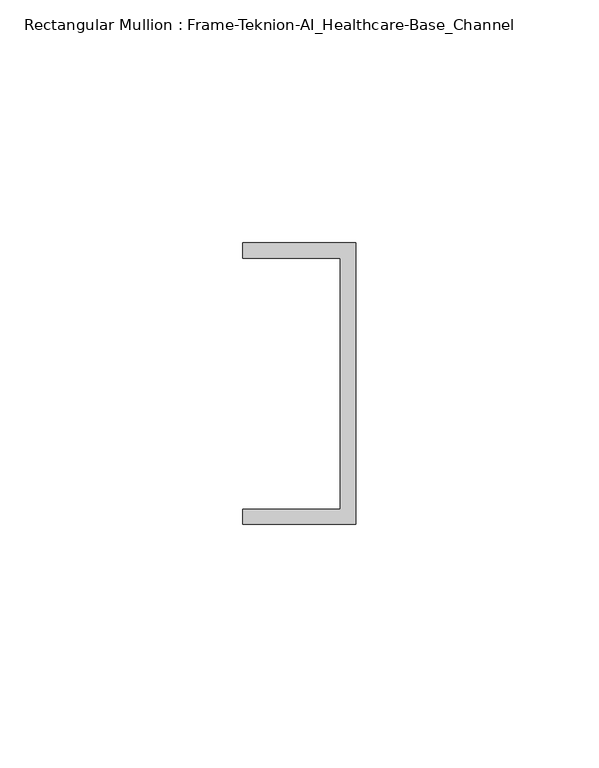
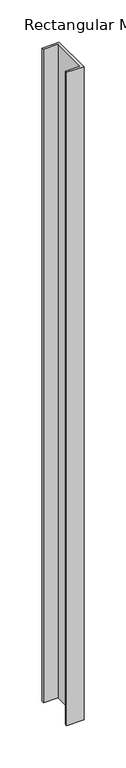
"""IFC4 building model written with IfcOpenShell, lengths in millimetres: member geometry, Rectangular Mullion : Frame-Teknion-AI_Healthcare-Base_Channel."""

import ifcopenshell
import ifcopenshell.guid

model = None  # the IFC model being written
_history = None  # IfcOwnerHistory: only IFC2X3 demands one
_inside = {}  # id of a spatial element -> (the spatial element, [elements in it])
_under = {}  # id of a project, library or spatial element -> (it, [spatial elements below it])
_declared = {}  # id of a project -> (the project, [libraries it declares])
_typed = {}  # id of a type object -> (the type object, [elements of that type])
_made_of = {}  # id of a material, layer set ... -> (it, [elements and type objects made of it])


def new_model(schema):
    """Start an empty IFC model of exactly this schema.

    Asked for "IFC4X3", IfcOpenShell would pick the latest addendum, in which some entities
    have other attributes; the version numbers below select the first issue.
    IFC2X3 requires an IfcOwnerHistory on every rooted entity: one is made here for all.
    """
    global model, _history
    if schema == "IFC4X3":
        model = ifcopenshell.file(schema_version=(4, 3, 0, 0))
    else:
        model = ifcopenshell.file(schema=schema)
    _inside.clear()
    _under.clear()
    _declared.clear()
    _typed.clear()
    _made_of.clear()
    _history = None
    if model.schema == "IFC2X3":
        org = make("IfcOrganization", Name="unknown")
        user = make(
            "IfcPersonAndOrganization",
            ThePerson=make("IfcPerson", FamilyName="unknown"),
            TheOrganization=org,
        )
        app = make(
            "IfcApplication",
            ApplicationDeveloper=org,
            Version="unknown",
            ApplicationFullName="unknown",
            ApplicationIdentifier="unknown",
        )
        _history = make(
            "IfcOwnerHistory",
            OwningUser=user,
            OwningApplication=app,
            ChangeAction="ADDED",
            CreationDate=0,
        )
    return model


def make(cls, **values):
    """One entity of the class cls with the attributes given. An attribute that is None is left unset."""
    return model.create_entity(
        cls, **{name: value for name, value in values.items() if value is not None}
    )


def rooted(cls, **values):
    """An entity with a GlobalId (a new one), such as an element, a storey or a relation."""
    return make(cls, GlobalId=ifcopenshell.guid.new(), OwnerHistory=_history, **values)


def si_unit(unit_type, name, prefix=None):
    """IfcSIUnit, for example si_unit("LENGTHUNIT", "METRE", prefix="MILLI")."""
    return make("IfcSIUnit", UnitType=unit_type, Prefix=prefix, Name=name)


def assignment(units):
    """IfcUnitAssignment: the units of a project."""
    return None if units is None else make("IfcUnitAssignment", Units=units)


def point(xyz):
    """IfcCartesianPoint."""
    return None if xyz is None else make("IfcCartesianPoint", Coordinates=xyz)


def direction(xyz):
    """IfcDirection."""
    return None if xyz is None else make("IfcDirection", DirectionRatios=xyz)


def frame(location, z_axis=None, x_axis=None):
    """IfcAxis2Placement3D, a coordinate frame: its origin and axes. An axis left out is left unset."""
    return make(
        "IfcAxis2Placement3D",
        Location=point(location),
        Axis=direction(z_axis),
        RefDirection=direction(x_axis),
    )


def origin():
    """The frame at (0, 0, 0) with its axes left unset."""
    return frame((0.0, 0.0, 0.0))


def place(relative_to, where):
    """IfcLocalPlacement: puts the frame where relative to a parent placement (None: the world)."""
    return make(
        "IfcLocalPlacement", PlacementRelTo=relative_to, RelativePlacement=where
    )


def context(
    kind, dimensions, precision=None, world=None, true_north=None, identifier=None
):
    """IfcGeometricRepresentationContext, for example the 3D "Model" context."""
    return make(
        "IfcGeometricRepresentationContext",
        ContextIdentifier=identifier,
        ContextType=kind,
        CoordinateSpaceDimension=dimensions,
        Precision=precision,
        WorldCoordinateSystem=world,
        TrueNorth=true_north,
    )


def project(units=None, contexts=None):
    """IfcProject with its units and contexts."""
    return rooted(
        "IfcProject",
        Name="project",
        RepresentationContexts=contexts,
        UnitsInContext=assignment(units),
    )


def spatial(cls, under=None, at=None, **own):
    """A site, building, storey or space (cls), placed at a placement, below another one or the project."""
    s = rooted(cls, ObjectPlacement=at, **own)
    if under is not None:
        _under.setdefault(under.id(), (under, []))[1].append(s)
    return s


def polyline(points):
    """IfcPolyline through the points."""
    return make("IfcPolyline", Points=[point(p) for p in points])


def outline(outer, holes=None, kind="AREA"):
    """IfcArbitraryClosedProfileDef: a profile drawn as a closed curve; with holes, ...WithVoids."""
    if holes is None:
        return make("IfcArbitraryClosedProfileDef", ProfileType=kind, OuterCurve=outer)
    return make(
        "IfcArbitraryProfileDefWithVoids",
        ProfileType=kind,
        OuterCurve=outer,
        InnerCurves=holes,
    )


def extrude(swept, where, along, depth):
    """IfcExtrudedAreaSolid: the profile swept, set in the frame where, extruded along a direction by depth."""
    return make(
        "IfcExtrudedAreaSolid",
        SweptArea=swept,
        Position=where,
        ExtrudedDirection=direction(along),
        Depth=depth,
    )


def shape(context_of_items, identifier, shape_type, items):
    """IfcShapeRepresentation: the items that make up one representation, for example the "Body"."""
    return make(
        "IfcShapeRepresentation",
        ContextOfItems=context_of_items,
        RepresentationIdentifier=identifier,
        RepresentationType=shape_type,
        Items=items,
    )


def source(mapping_origin, context_of_items, identifier, shape_type, items):
    """IfcRepresentationMap: a shape defined once, which mapped items show again and again."""
    return make(
        "IfcRepresentationMap",
        MappingOrigin=mapping_origin,
        MappedRepresentation=shape(context_of_items, identifier, shape_type, items),
    )


def transform(
    local_origin,
    x_axis=None,
    y_axis=None,
    z_axis=None,
    scale=None,
    scale2=None,
    scale3=None,
    uniform=True,
):
    """IfcCartesianTransformationOperator3D, or its non-uniform kind. x_axis, y_axis, z_axis: its Axis1, 2, 3."""
    if uniform:
        return make(
            "IfcCartesianTransformationOperator3D",
            Axis1=direction(x_axis),
            Axis2=direction(y_axis),
            LocalOrigin=point(local_origin),
            Scale=scale,
            Axis3=direction(z_axis),
        )
    return make(
        "IfcCartesianTransformationOperator3DnonUniform",
        Axis1=direction(x_axis),
        Axis2=direction(y_axis),
        LocalOrigin=point(local_origin),
        Scale=scale,
        Axis3=direction(z_axis),
        Scale2=scale2,
        Scale3=scale3,
    )


def mapped(mapping_source, mapping_target):
    """IfcMappedItem: shows the shape of a source again, moved by a transform."""
    return make(
        "IfcMappedItem", MappingSource=mapping_source, MappingTarget=mapping_target
    )


def made_of(thing, what):
    """Note that an element or type object is made of a material, layer set ...; save() writes the relation."""
    if what is not None:
        _made_of.setdefault(what.id(), (what, []))[1].append(thing)
    return thing


def element(
    cls,
    number,
    at=None,
    inside=None,
    cuts=None,
    type_object=None,
    material=None,
    context=None,
    identifier="Body",
    shape_type=None,
    held_by="IfcProductDefinitionShape",
    body=None,
    shapes=None,
    **own,
):
    """One element of the class cls, such as IfcWall. Its Tag is "e" and its number.

    at: its placement. inside: the storey or other place that contains it. cuts: it is an
    opening in that element (IfcRelVoidsElement). A single representation is given by context,
    identifier, shape_type and body (its items); several are given by shapes. held_by: the class
    of the entity that holds the representations. save() writes the other relations.
    """
    e = rooted(cls, Tag="e%d" % number, ObjectPlacement=at, **own)
    if body is not None:
        shapes = [shape(context, identifier, shape_type, body)]
    if shapes is not None:
        e.Representation = make(held_by, Representations=shapes)
    if inside is not None:
        _inside.setdefault(inside.id(), (inside, []))[1].append(e)
    if cuts is not None:
        rooted(
            "IfcRelVoidsElement", RelatingBuildingElement=cuts, RelatedOpeningElement=e
        )
    if type_object is not None:
        _typed.setdefault(type_object.id(), (type_object, []))[1].append(e)
    return made_of(e, material)


def aggregate(whole, parts):
    """IfcRelAggregates: a whole, such as a stair, and the parts it consists of."""
    return rooted("IfcRelAggregates", RelatingObject=whole, RelatedObjects=parts)


def save(model, path):
    """Write the relations noted so far, then the file.

    IfcRelAggregates (storeys below a building ...), IfcRelContainedInSpatialStructure (elements
    in a storey), IfcRelDefinesByType, IfcRelAssociatesMaterial and IfcRelDeclares: one each for
    every whole, place, type object, material and project.
    """
    for whole, parts in _under.values():
        aggregate(whole, parts)
    for where, things in _inside.values():
        rooted(
            "IfcRelContainedInSpatialStructure",
            RelatedElements=things,
            RelatingStructure=where,
        )
    for kind, things in _typed.values():
        rooted("IfcRelDefinesByType", RelatedObjects=things, RelatingType=kind)
    for what, things in _made_of.values():
        rooted("IfcRelAssociatesMaterial", RelatedObjects=things, RelatingMaterial=what)
    for by, libraries in _declared.values():
        rooted("IfcRelDeclares", RelatingContext=by, RelatedDefinitions=libraries)
    model.write(path)


def rectangular_mullion_frame_teknion_ai_healthcare_base_channel_932e8547(model_context):
    return source(origin(), model_context, "Body", "SweptSolid", [
        extrude(outline(polyline([(0.0, 29.0214844), (0.0, -29.0214844), (-23.3164063, -29.0214844), (-23.3164063, -25.8464844), (-3.175, -25.8464844), (-3.175, 25.8464844), (-23.3164063, 25.8464844), (-23.3164063, 29.0214844), (0.0, 29.0214844)])), frame((0.0, 0.0, -941.3375114), z_axis=(0.0, 0.0, 1.0), x_axis=(1.0, 0.0, 0.0)), (0.0, 0.0, 1.0), 941.3375114),
    ])


if __name__ == "__main__":
    model = new_model("IFC4")
    model_context = context("Model", 3, world=origin())
    ifc_project = project(units=[si_unit("LENGTHUNIT", "METRE", prefix="MILLI")], contexts=[model_context])
    site = spatial("IfcSite", under=ifc_project)
    building = spatial("IfcBuilding", under=site)
    placement = place(None, origin())
    rectangular_mullion_frame_teknion_ai_healthcare_base_channel_shape = rectangular_mullion_frame_teknion_ai_healthcare_base_channel_932e8547(model_context)
    element("IfcMember", 1, ObjectType="Rectangular Mullion : Frame-Teknion-AI_Healthcare-Base_Channel", at=placement, inside=building, context=model_context, shape_type="MappedRepresentation", body=[
        mapped(rectangular_mullion_frame_teknion_ai_healthcare_base_channel_shape, transform((0.0, 0.0, 0.0), x_axis=(1.0, 0.0, 0.0), y_axis=(0.0, 1.0, 0.0), z_axis=(0.0, 0.0, 1.0))),
    ])
    save(model, "model.ifc")
